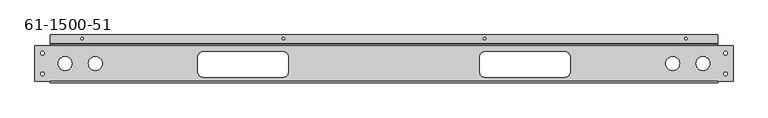
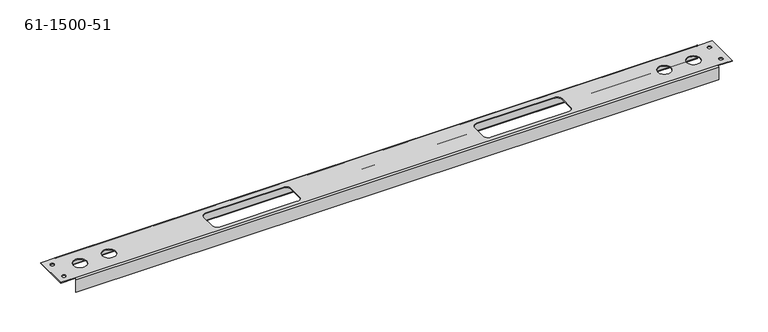
"""IFC4 building model written with IfcOpenShell, lengths in millimetres: proxy geometry, 61-1500-51."""

from ifc_helpers import new_model, si_unit, frame, origin, place, context, project, spatial, polyline, circle_curve, source, transform, mapped, element, save
from ifc_brep_helpers import plane_surface, cylinder_surface, revolved_surface, advanced_brep


def proxy_61_1500_51_55b501a2(model_context):
    return source(origin(), model_context, "Body", "AdvancedBrep", [
        advanced_brep(
        [(1747.61906, -74.5617, 0.0), (1747.61906, -74.5617, 1.6129), (1738.09406, -74.5617, 1.6129), (1738.09406, -74.5617, 0.0), (23.8125001, -74.5617, 0.0), (23.8125001, -74.5617, 1.6129), (14.2875001, -74.5617, 1.6129), (14.2875001, -74.5617, 0.0), (23.8125001, -22.2758, 0.0), (23.8125001, -22.2758, 1.6129), (14.2875001, -22.2758, 1.6129), (14.2875001, -22.2758, 0.0), (1747.61906, -22.2758, 0.0), (1747.61906, -22.2758, 1.6129), (1738.09406, -22.2758, 1.6129), (1738.09406, -22.2758, 0.0), (1626.96906, -48.41875, 0.0), (1626.96906, -48.41875, 1.6129), (1592.04406, -48.41875, 1.6129), (1592.04406, -48.41875, 0.0), (169.8625, -48.41875, 0.0), (169.8625, -48.41875, 1.6129), (134.9375, -48.41875, 1.6129), (134.9375, -48.41875, 0.0), (93.6625, -48.41875, 0.0), (93.6625, -48.41875, 1.6129), (58.7375, -48.41875, 1.6129), (58.7375, -48.41875, 0.0), (1703.16906, -48.41875, 0.0), (1703.16906, -48.41875, 1.6129), (1668.24406, -48.41875, 1.6129), (1668.24406, -48.41875, 0.0), (1646.12828, 14.2621, -36.4871), (1646.12828, 14.2621, -34.8742), (1639.77828, 14.2621, -34.8742), (1639.77828, 14.2621, -36.4871), (630.12828, 14.2621, -36.4871), (630.12828, 14.2621, -34.8742), (623.77828, 14.2621, -34.8742), (623.77828, 14.2621, -36.4871), (122.12828, 14.2621, -36.4871), (122.12828, 14.2621, -34.8742), (115.77828, 14.2621, -34.8742), (115.77828, 14.2621, -36.4871), (1138.12828, 14.2621, -36.4871), (1138.12828, 14.2621, -34.8742), (1131.77828, 14.2621, -34.8742), (1131.77828, 14.2621, -36.4871), (423.75328, -18.9611, 0.0), (626.95328, -18.9611, 0.0), (626.95328, -18.9611, 1.6129), (423.75328, -18.9611, 1.6129), (411.05328, -31.6611, 0.0), (411.05328, -31.6611, 1.6129), (411.05328, -69.7611, 0.0), (411.05328, -69.7611, 1.6129), (423.75328, -82.4611, 0.0), (423.75328, -82.4611, 1.6129), (626.95328, -82.4611, 0.0), (626.95328, -82.4611, 1.6129), (639.65328, -69.7611, 0.0), (639.65328, -69.7611, 1.6129), (639.65328, -31.6611, 0.0), (639.65328, -31.6611, 1.6129), (1134.95328, -18.9611, 0.0), (1338.15328, -18.9611, 0.0), (1338.15328, -18.9611, 1.6129), (1134.95328, -18.9611, 1.6129), (1122.25328, -31.6611, 0.0), (1122.25328, -31.6611, 1.6129), (1122.25328, -69.7611, 0.0), (1122.25328, -69.7611, 1.6129), (1134.95328, -82.4611, 0.0), (1134.95328, -82.4611, 1.6129), (1338.15328, -82.4611, 0.0), (1338.15328, -82.4611, 1.6129), (1350.85328, -69.7611, 0.0), (1350.85328, -69.7611, 1.6129), (1350.85328, -31.6611, 0.0), (1350.85328, -31.6611, 1.6129), (38.1, 1.6129, -36.4871), (1723.80656, 1.6129, -36.4871), (1723.80656, -1.6129, -33.2613), (38.1, -1.6129, -33.2613), (1723.80656, 1.6129, -34.8742), (38.1, 1.6129, -34.8742), (38.1, 0.0, -33.2613), (1723.80656, 0.0, -33.2613), (38.1, 0.0, -1.6129), (1723.80656, 0.0, -1.6129), (38.1, -96.8375, -1.6129), (1723.80656, -96.8375, -1.6129), (1723.80656, -93.6117, 1.6129), (38.1, -93.6117, 1.6129), (1723.80656, -95.2246, -1.6129), (38.1, -95.2246, -1.6129), (38.1, -93.6117, 0.0), (1723.80656, -93.6117, 0.0), (0.0, -93.6117, 1.6129), (0.0, -93.6117, 0.0), (1761.90656, -93.6117, 0.0), (1761.90656, -93.6117, 1.6129), (0.0, -3.2258, 0.0), (38.1, -3.2258, 0.0), (1723.80656, -3.2258, 0.0), (1761.90656, -3.2258, 0.0), (1761.90656, -3.2258, 1.6129), (1723.80656, -3.2258, 1.6129), (38.1, -3.2258, 1.6129), (0.0, -3.2258, 1.6129), (38.1, -1.6129, -1.6129), (1723.80656, -1.6129, -1.6129), (1723.80656, -96.8375, -36.4871), (1723.80656, -95.2246, -36.4871), (38.1, -96.8375, -36.4871), (38.1, -95.2246, -36.4871), (1723.80656, 23.7871, -36.4871), (1723.80656, 23.7871, -34.8742), (38.1, 23.7871, -36.4871), (38.1, 23.7871, -34.8742)],
        [
            (0, 1),
            (1, 2, circle_curve(frame((1742.85656, -74.5617, 1.6129), z_axis=(0.0, 0.0, 1.0), x_axis=(1.0, 0.0, 0.0)), 4.7625)),
            (2, 3),
            (3, 0, circle_curve(frame((1742.85656, -74.5617, 0.0), z_axis=(0.0, 0.0, -1.0), x_axis=(1.0, 0.0, 0.0)), 4.7625)),
            (4, 5),
            (5, 6, circle_curve(frame((19.0500001, -74.5617, 1.6129), z_axis=(0.0, 0.0, 1.0), x_axis=(1.0, 0.0, 0.0)), 4.7625)),
            (6, 7),
            (7, 4, circle_curve(frame((19.0500001, -74.5617, 0.0), z_axis=(0.0, 0.0, -1.0), x_axis=(1.0, 0.0, 0.0)), 4.7625)),
            (8, 9),
            (9, 10, circle_curve(frame((19.0500001, -22.2758, 1.6129), z_axis=(0.0, 0.0, 1.0), x_axis=(1.0, 0.0, 0.0)), 4.7625)),
            (10, 11),
            (11, 8, circle_curve(frame((19.0500001, -22.2758, 0.0), z_axis=(0.0, 0.0, -1.0), x_axis=(1.0, 0.0, 0.0)), 4.7625)),
            (12, 13),
            (13, 14, circle_curve(frame((1742.85656, -22.2758, 1.6129), z_axis=(0.0, 0.0, 1.0), x_axis=(1.0, 0.0, 0.0)), 4.7625)),
            (14, 15),
            (15, 12, circle_curve(frame((1742.85656, -22.2758, 0.0), z_axis=(0.0, 0.0, -1.0), x_axis=(1.0, 0.0, 0.0)), 4.7625)),
            (16, 17),
            (17, 18, circle_curve(frame((1609.50656, -48.41875, 1.6129), z_axis=(0.0, 0.0, 1.0), x_axis=(1.0, 0.0, 0.0)), 17.4625)),
            (18, 19),
            (19, 16, circle_curve(frame((1609.50656, -48.41875, 0.0), z_axis=(0.0, 0.0, -1.0), x_axis=(1.0, 0.0, 0.0)), 17.4625)),
            (20, 21),
            (21, 22, circle_curve(frame((152.4, -48.41875, 1.6129), z_axis=(0.0, 0.0, 1.0), x_axis=(1.0, 0.0, 0.0)), 17.4625)),
            (22, 23),
            (23, 20, circle_curve(frame((152.4, -48.41875, 0.0), z_axis=(0.0, 0.0, -1.0), x_axis=(1.0, 0.0, 0.0)), 17.4625)),
            (24, 25),
            (25, 26, circle_curve(frame((76.2, -48.41875, 1.6129), z_axis=(0.0, 0.0, 1.0), x_axis=(1.0, 0.0, 0.0)), 17.4625)),
            (26, 27),
            (27, 24, circle_curve(frame((76.2, -48.41875, 0.0), z_axis=(0.0, 0.0, -1.0), x_axis=(1.0, 0.0, 0.0)), 17.4625)),
            (28, 29),
            (29, 30, circle_curve(frame((1685.70656, -48.41875, 1.6129), z_axis=(0.0, 0.0, 1.0), x_axis=(1.0, 0.0, 0.0)), 17.4625)),
            (30, 31),
            (31, 28, circle_curve(frame((1685.70656, -48.41875, 0.0), z_axis=(0.0, 0.0, -1.0), x_axis=(1.0, 0.0, 0.0)), 17.4625)),
            (32, 33),
            (33, 34, circle_curve(frame((1642.95328, 14.2621, -34.8742), z_axis=(0.0, 0.0, 1.0), x_axis=(1.0, 0.0, 0.0)), 3.175)),
            (34, 35),
            (35, 32, circle_curve(frame((1642.95328, 14.2621, -36.4871), z_axis=(0.0, 0.0, -1.0), x_axis=(1.0, 0.0, 0.0)), 3.175)),
            (36, 37),
            (37, 38, circle_curve(frame((626.95328, 14.2621, -34.8742), z_axis=(0.0, 0.0, 1.0), x_axis=(1.0, 0.0, 0.0)), 3.175)),
            (38, 39),
            (39, 36, circle_curve(frame((626.95328, 14.2621, -36.4871), z_axis=(0.0, 0.0, -1.0), x_axis=(1.0, 0.0, 0.0)), 3.175)),
            (40, 41),
            (41, 42, circle_curve(frame((118.95328, 14.2621, -34.8742), z_axis=(0.0, 0.0, 1.0), x_axis=(1.0, 0.0, 0.0)), 3.175)),
            (42, 43),
            (43, 40, circle_curve(frame((118.95328, 14.2621, -36.4871), z_axis=(0.0, 0.0, -1.0), x_axis=(1.0, 0.0, 0.0)), 3.175)),
            (44, 45),
            (45, 46, circle_curve(frame((1134.95328, 14.2621, -34.8742), z_axis=(0.0, 0.0, 1.0), x_axis=(1.0, 0.0, 0.0)), 3.175)),
            (46, 47),
            (47, 44, circle_curve(frame((1134.95328, 14.2621, -36.4871), z_axis=(0.0, 0.0, -1.0), x_axis=(1.0, 0.0, 0.0)), 3.175)),
            (44, 47, circle_curve(frame((1134.95328, 14.2621, -36.4871), z_axis=(0.0, 0.0, -1.0), x_axis=(1.0, 0.0, 0.0)), 3.175)),
            (46, 45, circle_curve(frame((1134.95328, 14.2621, -34.8742), z_axis=(0.0, 0.0, 1.0), x_axis=(1.0, 0.0, 0.0)), 3.175)),
            (40, 43, circle_curve(frame((118.95328, 14.2621, -36.4871), z_axis=(0.0, 0.0, -1.0), x_axis=(1.0, 0.0, 0.0)), 3.175)),
            (42, 41, circle_curve(frame((118.95328, 14.2621, -34.8742), z_axis=(0.0, 0.0, 1.0), x_axis=(1.0, 0.0, 0.0)), 3.175)),
            (36, 39, circle_curve(frame((626.95328, 14.2621, -36.4871), z_axis=(0.0, 0.0, -1.0), x_axis=(1.0, 0.0, 0.0)), 3.175)),
            (38, 37, circle_curve(frame((626.95328, 14.2621, -34.8742), z_axis=(0.0, 0.0, 1.0), x_axis=(1.0, 0.0, 0.0)), 3.175)),
            (32, 35, circle_curve(frame((1642.95328, 14.2621, -36.4871), z_axis=(0.0, 0.0, -1.0), x_axis=(1.0, 0.0, 0.0)), 3.175)),
            (34, 33, circle_curve(frame((1642.95328, 14.2621, -34.8742), z_axis=(0.0, 0.0, 1.0), x_axis=(1.0, 0.0, 0.0)), 3.175)),
            (48, 49),
            (49, 50),
            (50, 51),
            (51, 48),
            (52, 48, circle_curve(frame((423.75328, -31.6611, 0.0), z_axis=(0.0, 0.0, -1.0), x_axis=(0.0, -1.0, 0.0)), 12.7)),
            (51, 53, circle_curve(frame((423.75328, -31.6611, 1.6129), z_axis=(0.0, 0.0, 1.0), x_axis=(0.0, -1.0, 0.0)), 12.7)),
            (53, 52),
            (54, 52),
            (53, 55),
            (55, 54),
            (56, 54, circle_curve(frame((423.75328, -69.7611, 0.0), z_axis=(0.0, 0.0, -1.0), x_axis=(1.0, 0.0, 0.0)), 12.7)),
            (55, 57, circle_curve(frame((423.75328, -69.7611, 1.6129), z_axis=(0.0, 0.0, 1.0), x_axis=(1.0, 0.0, 0.0)), 12.7)),
            (57, 56),
            (58, 56),
            (57, 59),
            (59, 58),
            (60, 58, circle_curve(frame((626.95328, -69.7611, 0.0), z_axis=(0.0, 0.0, -1.0), x_axis=(0.0, 1.0, 0.0)), 12.7)),
            (59, 61, circle_curve(frame((626.95328, -69.7611, 1.6129), z_axis=(0.0, 0.0, 1.0), x_axis=(0.0, 1.0, 0.0)), 12.7)),
            (61, 60),
            (62, 60),
            (61, 63),
            (63, 62),
            (49, 62, circle_curve(frame((626.95328, -31.6611, 0.0), z_axis=(0.0, 0.0, -1.0), x_axis=(-1.0, 0.0, 0.0)), 12.7)),
            (63, 50, circle_curve(frame((626.95328, -31.6611, 1.6129), z_axis=(0.0, 0.0, 1.0), x_axis=(-1.0, 0.0, 0.0)), 12.7)),
            (64, 65),
            (65, 66),
            (66, 67),
            (67, 64),
            (68, 64, circle_curve(frame((1134.95328, -31.6611, 0.0), z_axis=(0.0, 0.0, -1.0), x_axis=(0.0, -1.0, 0.0)), 12.7)),
            (67, 69, circle_curve(frame((1134.95328, -31.6611, 1.6129), z_axis=(0.0, 0.0, 1.0), x_axis=(0.0, -1.0, 0.0)), 12.7)),
            (69, 68),
            (70, 68),
            (69, 71),
            (71, 70),
            (72, 70, circle_curve(frame((1134.95328, -69.7611, 0.0), z_axis=(0.0, 0.0, -1.0), x_axis=(1.0, 0.0, 0.0)), 12.7)),
            (71, 73, circle_curve(frame((1134.95328, -69.7611, 1.6129), z_axis=(0.0, 0.0, 1.0), x_axis=(1.0, 0.0, 0.0)), 12.7)),
            (73, 72),
            (74, 72),
            (73, 75),
            (75, 74),
            (76, 74, circle_curve(frame((1338.15328, -69.7611, 0.0), z_axis=(0.0, 0.0, -1.0), x_axis=(0.0, 1.0, 0.0)), 12.7)),
            (75, 77, circle_curve(frame((1338.15328, -69.7611, 1.6129), z_axis=(0.0, 0.0, 1.0), x_axis=(0.0, 1.0, 0.0)), 12.7)),
            (77, 76),
            (78, 76),
            (77, 79),
            (79, 78),
            (65, 78, circle_curve(frame((1338.15328, -31.6611, 0.0), z_axis=(0.0, 0.0, -1.0), x_axis=(-1.0, 0.0, 0.0)), 12.7)),
            (79, 66, circle_curve(frame((1338.15328, -31.6611, 1.6129), z_axis=(0.0, 0.0, 1.0), x_axis=(-1.0, 0.0, 0.0)), 12.7)),
            (28, 31, circle_curve(frame((1685.70656, -48.41875, 0.0), z_axis=(0.0, 0.0, -1.0), x_axis=(1.0, 0.0, 0.0)), 17.4625)),
            (30, 29, circle_curve(frame((1685.70656, -48.41875, 1.6129), z_axis=(0.0, 0.0, 1.0), x_axis=(1.0, 0.0, 0.0)), 17.4625)),
            (24, 27, circle_curve(frame((76.2, -48.41875, 0.0), z_axis=(0.0, 0.0, -1.0), x_axis=(1.0, 0.0, 0.0)), 17.4625)),
            (26, 25, circle_curve(frame((76.2, -48.41875, 1.6129), z_axis=(0.0, 0.0, 1.0), x_axis=(1.0, 0.0, 0.0)), 17.4625)),
            (20, 23, circle_curve(frame((152.4, -48.41875, 0.0), z_axis=(0.0, 0.0, -1.0), x_axis=(1.0, 0.0, 0.0)), 17.4625)),
            (22, 21, circle_curve(frame((152.4, -48.41875, 1.6129), z_axis=(0.0, 0.0, 1.0), x_axis=(1.0, 0.0, 0.0)), 17.4625)),
            (16, 19, circle_curve(frame((1609.50656, -48.41875, 0.0), z_axis=(0.0, 0.0, -1.0), x_axis=(1.0, 0.0, 0.0)), 17.4625)),
            (18, 17, circle_curve(frame((1609.50656, -48.41875, 1.6129), z_axis=(0.0, 0.0, 1.0), x_axis=(1.0, 0.0, 0.0)), 17.4625)),
            (12, 15, circle_curve(frame((1742.85656, -22.2758, 0.0), z_axis=(0.0, 0.0, -1.0), x_axis=(1.0, 0.0, 0.0)), 4.7625)),
            (14, 13, circle_curve(frame((1742.85656, -22.2758, 1.6129), z_axis=(0.0, 0.0, 1.0), x_axis=(1.0, 0.0, 0.0)), 4.7625)),
            (8, 11, circle_curve(frame((19.0500001, -22.2758, 0.0), z_axis=(0.0, 0.0, -1.0), x_axis=(1.0, 0.0, 0.0)), 4.7625)),
            (10, 9, circle_curve(frame((19.0500001, -22.2758, 1.6129), z_axis=(0.0, 0.0, 1.0), x_axis=(1.0, 0.0, 0.0)), 4.7625)),
            (4, 7, circle_curve(frame((19.0500001, -74.5617, 0.0), z_axis=(0.0, 0.0, -1.0), x_axis=(1.0, 0.0, 0.0)), 4.7625)),
            (6, 5, circle_curve(frame((19.0500001, -74.5617, 1.6129), z_axis=(0.0, 0.0, 1.0), x_axis=(1.0, 0.0, 0.0)), 4.7625)),
            (0, 3, circle_curve(frame((1742.85656, -74.5617, 0.0), z_axis=(0.0, 0.0, -1.0), x_axis=(1.0, 0.0, 0.0)), 4.7625)),
            (2, 1, circle_curve(frame((1742.85656, -74.5617, 1.6129), z_axis=(0.0, 0.0, 1.0), x_axis=(1.0, 0.0, 0.0)), 4.7625)),
            (80, 81),
            (81, 82, circle_curve(frame((1723.80656, 1.6129, -33.2613), z_axis=(-1.0, 0.0, 0.0), x_axis=(0.0, -1.0, 0.0)), 3.2258)),
            (82, 83),
            (83, 80, circle_curve(frame((38.1, 1.6129, -33.2613), z_axis=(1.0, 0.0, 0.0), x_axis=(0.0, -1.0, 0.0)), 3.2258)),
            (84, 85),
            (85, 86, circle_curve(frame((38.1, 1.6129, -33.2613), z_axis=(-1.0, 0.0, 0.0), x_axis=(0.0, -1.0, 0.0)), 1.6129)),
            (86, 87),
            (87, 84, circle_curve(frame((1723.80656, 1.6129, -33.2613), z_axis=(1.0, 0.0, 0.0), x_axis=(0.0, -1.0, 0.0)), 1.6129)),
            (86, 88),
            (88, 89),
            (89, 87),
            (90, 91),
            (91, 92, circle_curve(frame((1723.80656, -93.6117, -1.6129), z_axis=(-1.0, 0.0, 0.0), x_axis=(0.0, 0.0, 1.0)), 3.2258)),
            (92, 93),
            (93, 90, circle_curve(frame((38.1, -93.6117, -1.6129), z_axis=(1.0, 0.0, 0.0), x_axis=(0.0, 0.0, 1.0)), 3.2258)),
            (94, 95),
            (95, 96, circle_curve(frame((38.1, -93.6117, -1.6129), z_axis=(-1.0, 0.0, 0.0), x_axis=(0.0, 0.0, 1.0)), 1.6129)),
            (96, 97),
            (97, 94, circle_curve(frame((1723.80656, -93.6117, -1.6129), z_axis=(1.0, 0.0, 0.0), x_axis=(0.0, 0.0, 1.0)), 1.6129)),
            (96, 93),
            (93, 98),
            (98, 99),
            (99, 96),
            (92, 97),
            (97, 100),
            (100, 101),
            (101, 92),
            (99, 102),
            (102, 103),
            (103, 104),
            (104, 105),
            (105, 100),
            (101, 106),
            (106, 107),
            (107, 108),
            (108, 109),
            (109, 98),
            (88, 108, circle_curve(frame((38.1, -3.2258, -1.6129), z_axis=(1.0, 0.0, 0.0), x_axis=(0.0, 0.0, 1.0)), 3.2258)),
            (107, 89, circle_curve(frame((1723.80656, -3.2258, -1.6129), z_axis=(-1.0, 0.0, 0.0), x_axis=(0.0, 0.0, 1.0)), 3.2258)),
            (110, 111),
            (111, 104, circle_curve(frame((1723.80656, -3.2258, -1.6129), z_axis=(1.0, 0.0, 0.0), x_axis=(0.0, 0.0, 1.0)), 1.6129)),
            (103, 110, circle_curve(frame((38.1, -3.2258, -1.6129), z_axis=(-1.0, 0.0, 0.0), x_axis=(0.0, 0.0, 1.0)), 1.6129)),
            (104, 107),
            (106, 105),
            (108, 103),
            (102, 109),
            (82, 111),
            (110, 83),
            (91, 112),
            (112, 113),
            (113, 94),
            (90, 114),
            (114, 112),
            (95, 115),
            (115, 114),
            (115, 113),
            (81, 116),
            (116, 117),
            (117, 84),
            (80, 118),
            (118, 116),
            (85, 119),
            (119, 118),
            (119, 117),
        ],
        [
            revolved_surface(polyline([(1747.61906, -74.5617, 1.6129000000000007), (1747.61906, -74.5617, 0.0)]), (1742.85656, -74.5617, -7.9121), (0.0, 0.0, 1.0)),
            revolved_surface(polyline([(23.812500099999998, -74.5617, 1.6129000000000007), (23.812500099999998, -74.5617, 0.0)]), (19.0500001, -74.5617, -7.9121), (0.0, 0.0, 1.0)),
            revolved_surface(polyline([(23.812500099999998, -22.2758, 1.6129000000000007), (23.812500099999998, -22.2758, 0.0)]), (19.0500001, -22.2758, -7.9121), (0.0, 0.0, 1.0)),
            revolved_surface(polyline([(1747.61906, -22.2758, 1.6129000000000007), (1747.61906, -22.2758, 0.0)]), (1742.85656, -22.2758, -7.9121), (0.0, 0.0, 1.0)),
            revolved_surface(polyline([(1626.9690600000001, -48.41875, 1.6129000000000007), (1626.9690600000001, -48.41875, 0.0)]), (1609.50656, -48.41875, -7.9121), (0.0, 0.0, 1.0)),
            revolved_surface(polyline([(169.8625, -48.41875, 1.6129000000000007), (169.8625, -48.41875, 0.0)]), (152.4, -48.41875, -7.9121), (0.0, 0.0, 1.0)),
            revolved_surface(polyline([(93.6625, -48.41875, 1.6129000000000007), (93.6625, -48.41875, 0.0)]), (76.2, -48.41875, -7.9121), (0.0, 0.0, 1.0)),
            revolved_surface(polyline([(1703.1690600000002, -48.41875, 1.6129000000000007), (1703.1690600000002, -48.41875, 0.0)]), (1685.70656, -48.41875, -7.9121), (0.0, 0.0, 1.0)),
            revolved_surface(polyline([(1646.12828, 14.2621, -34.8742), (1646.12828, 14.2621, -36.4871)]), (1642.95328, 14.2621, -44.3992), (0.0, 0.0, 1.0)),
            revolved_surface(polyline([(630.1282799999999, 14.2621, -34.8742), (630.1282799999999, 14.2621, -36.4871)]), (626.95328, 14.2621, -44.3992), (0.0, 0.0, 1.0)),
            revolved_surface(polyline([(122.12828, 14.2621, -34.8742), (122.12828, 14.2621, -36.4871)]), (118.95328, 14.2621, -44.3992), (0.0, 0.0, 1.0)),
            revolved_surface(polyline([(1138.12828, 14.2621, -34.8742), (1138.12828, 14.2621, -36.4871)]), (1134.95328, 14.2621, -44.3992), (0.0, 0.0, 1.0)),
            plane_surface(frame((525.35328, -18.9611, 1.6129), z_axis=(0.0, -1.0, 0.0), x_axis=(0.0, 0.0, 1.0))),
            revolved_surface(polyline([(423.75328, -44.3611, 0.0), (423.75328, -44.3611, 1.6129)]), (423.75328, -31.6611, 1.6129), (0.0, 0.0, -1.0)),
            plane_surface(frame((411.05328, -31.6611, 1.6129), z_axis=(1.0, 0.0, 0.0), x_axis=(0.0, 0.0, 1.0))),
            revolved_surface(polyline([(436.45328, -69.7611, 0.0), (436.45328, -69.7611, 1.6129)]), (423.75328, -69.7611, 1.6129), (0.0, 0.0, -1.0)),
            plane_surface(frame((423.75328, -82.4611, 1.6129), z_axis=(0.0, 1.0, 0.0), x_axis=(0.0, 0.0, -1.0))),
            revolved_surface(polyline([(626.95328, -57.061099999999996, 0.0), (626.95328, -57.061099999999996, 1.6129)]), (626.95328, -69.7611, 1.6129), (0.0, 0.0, -1.0)),
            plane_surface(frame((639.65328, -69.7611, 1.6129), z_axis=(-1.0, 0.0, 0.0), x_axis=(0.0, 0.0, -1.0))),
            revolved_surface(polyline([(614.2532799999999, -31.6611, 0.0), (614.2532799999999, -31.6611, 1.6129)]), (626.95328, -31.6611, 1.6129), (0.0, 0.0, -1.0)),
            plane_surface(frame((1236.55328, -18.9611, 1.6129), z_axis=(0.0, -1.0, 0.0), x_axis=(0.0, 0.0, 1.0))),
            revolved_surface(polyline([(1134.95328, -44.3611, 0.0), (1134.95328, -44.3611, 1.6129)]), (1134.95328, -31.6611, 1.6129), (0.0, 0.0, -1.0)),
            plane_surface(frame((1122.25328, -31.6611, 1.6129), z_axis=(1.0, 0.0, 0.0), x_axis=(0.0, 0.0, 1.0))),
            revolved_surface(polyline([(1147.65328, -69.7611, 0.0), (1147.65328, -69.7611, 1.6129)]), (1134.95328, -69.7611, 1.6129), (0.0, 0.0, -1.0)),
            plane_surface(frame((1134.95328, -82.4611, 1.6129), z_axis=(0.0, 1.0, 0.0), x_axis=(0.0, 0.0, -1.0))),
            revolved_surface(polyline([(1338.15328, -57.061099999999996, 0.0), (1338.15328, -57.061099999999996, 1.6129)]), (1338.15328, -69.7611, 1.6129), (0.0, 0.0, -1.0)),
            plane_surface(frame((1350.85328, -69.7611, 1.6129), z_axis=(-1.0, 0.0, 0.0), x_axis=(0.0, 0.0, -1.0))),
            revolved_surface(polyline([(1325.45328, -31.6611, 0.0), (1325.45328, -31.6611, 1.6129)]), (1338.15328, -31.6611, 1.6129), (0.0, 0.0, -1.0)),
            cylinder_surface(frame((880.95328, 1.6129, -33.2613), z_axis=(1.0, 0.0, 0.0), x_axis=(0.0, -1.0, 0.0)), 3.2258),
            revolved_surface(polyline([(1723.80656, 0.0, -33.2613), (38.10000000000002, 0.0, -33.2613)]), (880.95328, 1.6129, -33.2613), (1.0, 0.0, 0.0)),
            plane_surface(frame((880.95328, 0.0, -17.4371), z_axis=(0.0, 1.0, 0.0), x_axis=(0.0, 0.0, 1.0))),
            cylinder_surface(frame((880.95328, -93.6117, -1.6129), z_axis=(1.0, 0.0, 0.0), x_axis=(0.0, 0.0, 1.0)), 3.2258),
            revolved_surface(polyline([(1723.80656, -93.6117, 0.0), (38.10000000000002, -93.6117, 0.0)]), (880.95328, -93.6117, -1.6129), (1.0, 0.0, 0.0)),
            plane_surface(frame((1723.80656, -93.6117, 1.6129), z_axis=(0.0, -1.0, 0.0), x_axis=(0.0, 0.0, 1.0))),
            plane_surface(frame((880.95328, -48.41875, 0.0), z_axis=(0.0, 0.0, -1.0), x_axis=(1.0, 0.0, 0.0))),
            plane_surface(frame((880.95328, -48.41875, 1.6129), z_axis=(0.0, 0.0, 1.0), x_axis=(1.0, 0.0, 0.0))),
            cylinder_surface(frame((880.95328, -3.2258, -1.6129), z_axis=(-1.0, 0.0, 0.0), x_axis=(0.0, 0.0, 1.0)), 3.2258),
            revolved_surface(polyline([(38.10000000000002, -3.2258, 0.0), (1723.80656, -3.2258, 0.0)]), (880.95328, -3.2258, -1.6129), (-1.0, 0.0, 0.0)),
            plane_surface(frame((38.1, -3.2258, 1.6129), z_axis=(0.0, 1.0, 0.0), x_axis=(0.0, 0.0, -1.0))),
            plane_surface(frame((1761.90656, 0.0, 0.0), z_axis=(1.0, 0.0, 0.0), x_axis=(0.0, 0.0, -1.0))),
            plane_surface(frame((0.0, -96.8375, 0.0), z_axis=(-1.0, 0.0, 0.0), x_axis=(0.0, 0.0, 1.0))),
            plane_surface(frame((880.95328, -1.6129, -17.4371), z_axis=(0.0, -1.0, 0.0), x_axis=(0.0, 0.0, 1.0))),
            plane_surface(frame((1723.80656, -96.8375, -36.4871), z_axis=(1.0, 0.0, 0.0), x_axis=(0.0, 0.0, -1.0))),
            plane_surface(frame((880.95328, -96.8375, -17.4371), z_axis=(0.0, -1.0, 0.0), x_axis=(0.0, 0.0, 1.0))),
            plane_surface(frame((38.1, -96.8375, 1.6129), z_axis=(-1.0, 0.0, 0.0), x_axis=(0.0, 0.0, 1.0))),
            plane_surface(frame((38.1, -96.8375, -36.4871), z_axis=(0.0, 0.0, -1.0), x_axis=(-1.0, 0.0, 0.0))),
            plane_surface(frame((880.95328, -95.2246, -17.4371), z_axis=(0.0, 1.0, 0.0), x_axis=(0.0, 0.0, 1.0))),
            plane_surface(frame((1723.80656, 23.7871, -36.4871), z_axis=(1.0, 0.0, 0.0), x_axis=(0.0, 0.0, -1.0))),
            plane_surface(frame((880.95328, 11.0871, -36.4871), z_axis=(0.0, 0.0, -1.0), x_axis=(1.0, 0.0, 0.0))),
            plane_surface(frame((38.1, -1.6129, -36.4871), z_axis=(-1.0, 0.0, 0.0), x_axis=(0.0, 0.0, 1.0))),
            plane_surface(frame((38.1, 23.7871, -36.4871), z_axis=(0.0, 1.0, 0.0), x_axis=(0.0, 0.0, 1.0))),
            plane_surface(frame((880.95328, 11.0871, -34.8742), z_axis=(0.0, 0.0, 1.0), x_axis=(1.0, 0.0, 0.0))),
        ],
        [
            (0, [[1, 2, 3, 4]]),
            (1, [[5, 6, 7, 8]]),
            (2, [[9, 10, 11, 12]]),
            (3, [[13, 14, 15, 16]]),
            (4, [[17, 18, 19, 20]]),
            (5, [[21, 22, 23, 24]]),
            (6, [[25, 26, 27, 28]]),
            (7, [[29, 30, 31, 32]]),
            (8, [[33, 34, 35, 36]]),
            (9, [[37, 38, 39, 40]]),
            (10, [[41, 42, 43, 44]]),
            (11, [[45, 46, 47, 48]]),
            (11, [[-45, 49, -47, 50]]),
            (10, [[-41, 51, -43, 52]]),
            (9, [[-37, 53, -39, 54]]),
            (8, [[-33, 55, -35, 56]]),
            (12, [[57, 58, 59, 60]]),
            (13, [[61, -60, 62, 63]]),
            (14, [[64, -63, 65, 66]]),
            (15, [[67, -66, 68, 69]]),
            (16, [[70, -69, 71, 72]]),
            (17, [[73, -72, 74, 75]]),
            (18, [[76, -75, 77, 78]]),
            (19, [[79, -78, 80, -58]]),
            (20, [[81, 82, 83, 84]]),
            (21, [[85, -84, 86, 87]]),
            (22, [[88, -87, 89, 90]]),
            (23, [[91, -90, 92, 93]]),
            (24, [[94, -93, 95, 96]]),
            (25, [[97, -96, 98, 99]]),
            (26, [[100, -99, 101, 102]]),
            (27, [[103, -102, 104, -82]]),
            (7, [[-29, 105, -31, 106]]),
            (6, [[-25, 107, -27, 108]]),
            (5, [[-21, 109, -23, 110]]),
            (4, [[-17, 111, -19, 112]]),
            (3, [[-13, 113, -15, 114]]),
            (2, [[-9, 115, -11, 116]]),
            (1, [[-5, 117, -7, 118]]),
            (0, [[-1, 119, -3, 120]]),
            (28, [[121, 122, 123, 124]]),
            (29, [[125, 126, 127, 128]]),
            (30, [[-127, 129, 130, 131]]),
            (31, [[132, 133, 134, 135]]),
            (32, [[136, 137, 138, 139]]),
            (33, [[140, 141, 142, 143]]),
            (33, [[144, 145, 146, 147]]),
            (34, [[-145, -138, -143, 148, 149, 150, 151, 152], [-57, -61, -64, -67, -70, -73, -76, -79], [-81, -85, -88, -91, -94, -97, -100, -103], [-105, -32], [-107, -28], [-109, -24], [-111, -20], [-113, -16], [-115, -12], [-117, -8], [-119, -4]]),
            (35, [[-141, -134, -147, 153, 154, 155, 156, 157], [-59, -80, -77, -74, -71, -68, -65, -62], [-83, -104, -101, -98, -95, -92, -89, -86], [-106, -30], [-108, -26], [-110, -22], [-112, -18], [-114, -14], [-116, -10], [-118, -6], [-120, -2]]),
            (36, [[-130, 158, -155, 159]]),
            (37, [[160, 161, -150, 162]]),
            (38, [[163, -154, 164, -151]]),
            (38, [[165, -149, 166, -156]]),
            (39, [[-146, -152, -164, -153]]),
            (40, [[-142, -157, -166, -148]]),
            (41, [[-123, 167, -160, 168]]),
            (42, [[169, 170, 171, -139, -144, -133]]),
            (43, [[-132, 172, 173, -169]]),
            (44, [[174, 175, -172, -135, -140, -137]]),
            (45, [[176, -170, -173, -175]]),
            (46, [[-136, -171, -176, -174]]),
            (47, [[177, 178, 179, -128, -131, -159, -163, -161, -167, -122]]),
            (48, [[-121, 180, 181, -177], [-49, -48], [-51, -44], [-53, -40], [-55, -36]]),
            (49, [[182, 183, -180, -124, -168, -162, -165, -158, -129, -126]]),
            (50, [[184, -178, -181, -183]]),
            (51, [[-125, -179, -184, -182], [-50, -46], [-52, -42], [-54, -38], [-56, -34]]),
        ],
    ),
    ])


if __name__ == "__main__":
    model = new_model("IFC4")
    model_context = context("Model", 3, world=origin())
    ifc_project = project(units=[si_unit("LENGTHUNIT", "METRE", prefix="MILLI")], contexts=[model_context])
    site = spatial("IfcSite", under=ifc_project)
    building = spatial("IfcBuilding", under=site)
    placement = place(None, origin())
    proxy_61_1500_51_shape = proxy_61_1500_51_55b501a2(model_context)
    element("IfcBuildingElementProxy", 1, Name="61-1500-51", ObjectType="61-1500-51", at=placement, inside=building, context=model_context, shape_type="MappedRepresentation", body=[
        mapped(proxy_61_1500_51_shape, transform((0.0, 0.0, 0.0), x_axis=(1.0, 0.0, 0.0), y_axis=(0.0, 1.0, 0.0), z_axis=(0.0, 0.0, 1.0))),
    ])
    save(model, "model.ifc")
